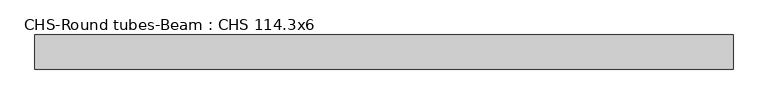
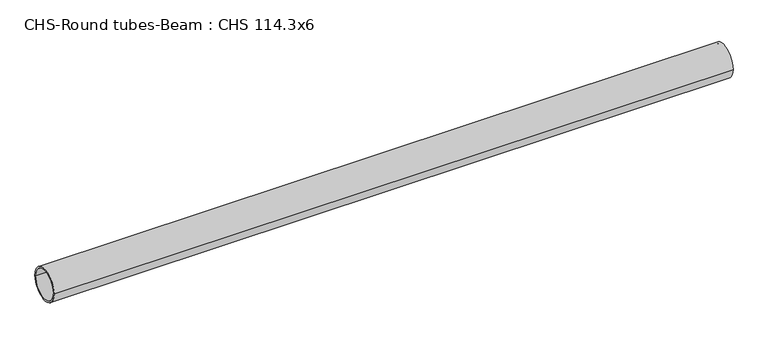
"""IFC4 building model written with IfcOpenShell, lengths in millimetres: beam geometry, CHS-Round tubes-Beam : CHS 114.3x6."""

from ifc_helpers import new_model, si_unit, point, frame, origin, origin_2d, place, context, project, spatial, circle_curve, trimmed, segment, composite_curve, outline, extrude, source, transform, mapped, element, save


def chs_round_tubes_beam_chs_114_3x6_6e9a054f(model_context):
    return source(origin(), model_context, "Body", "SweptSolid", [
        extrude(outline(composite_curve([segment(trimmed(circle_curve(origin_2d(), 57.15), [point((57.15, 0.0))], [point((-57.15, 0.0))], False, "CARTESIAN"), True, "CONTINUOUS"), segment(trimmed(circle_curve(origin_2d(), 57.15), [point((-57.15, 0.0))], [point((57.15, 0.0))], False, "CARTESIAN"), True, "CONTINUOUS")], self_intersect=False), holes=[composite_curve([segment(trimmed(circle_curve(origin_2d(), 51.15), [point((51.15, 0.0))], [point((-51.15, 0.0))], True, "CARTESIAN"), True, "CONTINUOUS"), segment(trimmed(circle_curve(origin_2d(), 51.15), [point((-51.15, 0.0))], [point((51.15, 0.0))], True, "CARTESIAN"), True, "CONTINUOUS")], self_intersect=False)]), frame((-1015.4190622, 0.0, 0.0), z_axis=(1.0, 0.0, 0.0), x_axis=(0.0, 1.0, 0.0)), (0.0, 0.0, 1.0), 2340.2546895),
    ])


if __name__ == "__main__":
    model = new_model("IFC4")
    model_context = context("Model", 3, world=origin())
    ifc_project = project(units=[si_unit("LENGTHUNIT", "METRE", prefix="MILLI")], contexts=[model_context])
    site = spatial("IfcSite", under=ifc_project)
    building = spatial("IfcBuilding", under=site)
    placement = place(None, origin())
    chs_round_tubes_beam_chs_114_3x6_shape = chs_round_tubes_beam_chs_114_3x6_6e9a054f(model_context)
    element("IfcBeam", 1, ObjectType="CHS-Round tubes-Beam : CHS 114.3x6", at=placement, inside=building, context=model_context, shape_type="MappedRepresentation", body=[
        mapped(chs_round_tubes_beam_chs_114_3x6_shape, transform((0.0, 0.0, 0.0), x_axis=(1.0, 0.0, 0.0), y_axis=(0.0, 1.0, 0.0), z_axis=(0.0, 0.0, 1.0))),
    ])
    save(model, "model.ifc")
